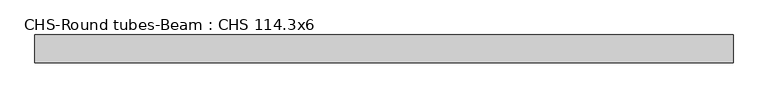
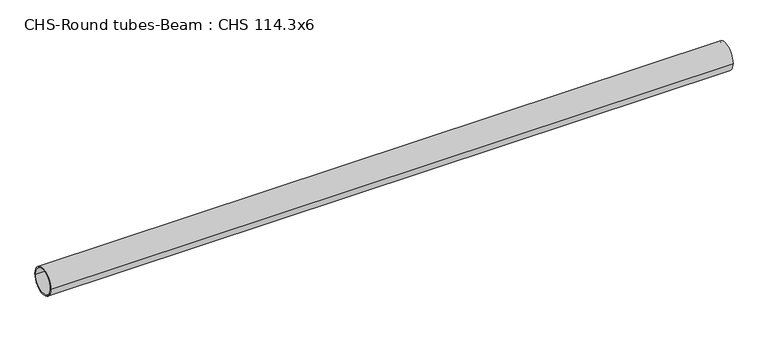
"""IFC4 building model written with IfcOpenShell, lengths in millimetres: beam geometry, CHS-Round tubes-Beam : CHS 114.3x6."""

import ifcopenshell
import ifcopenshell.guid

model = None  # the IFC model being written
_history = None  # IfcOwnerHistory: only IFC2X3 demands one
_inside = {}  # id of a spatial element -> (the spatial element, [elements in it])
_under = {}  # id of a project, library or spatial element -> (it, [spatial elements below it])
_declared = {}  # id of a project -> (the project, [libraries it declares])
_typed = {}  # id of a type object -> (the type object, [elements of that type])
_made_of = {}  # id of a material, layer set ... -> (it, [elements and type objects made of it])


def new_model(schema):
    """Start an empty IFC model of exactly this schema.

    Asked for "IFC4X3", IfcOpenShell would pick the latest addendum, in which some entities
    have other attributes; the version numbers below select the first issue.
    IFC2X3 requires an IfcOwnerHistory on every rooted entity: one is made here for all.
    """
    global model, _history
    if schema == "IFC4X3":
        model = ifcopenshell.file(schema_version=(4, 3, 0, 0))
    else:
        model = ifcopenshell.file(schema=schema)
    _inside.clear()
    _under.clear()
    _declared.clear()
    _typed.clear()
    _made_of.clear()
    _history = None
    if model.schema == "IFC2X3":
        org = make("IfcOrganization", Name="unknown")
        user = make(
            "IfcPersonAndOrganization",
            ThePerson=make("IfcPerson", FamilyName="unknown"),
            TheOrganization=org,
        )
        app = make(
            "IfcApplication",
            ApplicationDeveloper=org,
            Version="unknown",
            ApplicationFullName="unknown",
            ApplicationIdentifier="unknown",
        )
        _history = make(
            "IfcOwnerHistory",
            OwningUser=user,
            OwningApplication=app,
            ChangeAction="ADDED",
            CreationDate=0,
        )
    return model


def make(cls, **values):
    """One entity of the class cls with the attributes given. An attribute that is None is left unset."""
    return model.create_entity(
        cls, **{name: value for name, value in values.items() if value is not None}
    )


def rooted(cls, **values):
    """An entity with a GlobalId (a new one), such as an element, a storey or a relation."""
    return make(cls, GlobalId=ifcopenshell.guid.new(), OwnerHistory=_history, **values)


def si_unit(unit_type, name, prefix=None):
    """IfcSIUnit, for example si_unit("LENGTHUNIT", "METRE", prefix="MILLI")."""
    return make("IfcSIUnit", UnitType=unit_type, Prefix=prefix, Name=name)


def assignment(units):
    """IfcUnitAssignment: the units of a project."""
    return None if units is None else make("IfcUnitAssignment", Units=units)


def point(xyz):
    """IfcCartesianPoint."""
    return None if xyz is None else make("IfcCartesianPoint", Coordinates=xyz)


def direction(xyz):
    """IfcDirection."""
    return None if xyz is None else make("IfcDirection", DirectionRatios=xyz)


def frame(location, z_axis=None, x_axis=None):
    """IfcAxis2Placement3D, a coordinate frame: its origin and axes. An axis left out is left unset."""
    return make(
        "IfcAxis2Placement3D",
        Location=point(location),
        Axis=direction(z_axis),
        RefDirection=direction(x_axis),
    )


def frame_2d(location, x_axis=None):
    """IfcAxis2Placement2D, a coordinate frame in the plane: its origin and x axis."""
    return make(
        "IfcAxis2Placement2D", Location=point(location), RefDirection=direction(x_axis)
    )


def origin():
    """The frame at (0, 0, 0) with its axes left unset."""
    return frame((0.0, 0.0, 0.0))


def origin_2d():
    """The frame at (0, 0) in the plane with its x axis left unset."""
    return frame_2d((0.0, 0.0))


def place(relative_to, where):
    """IfcLocalPlacement: puts the frame where relative to a parent placement (None: the world)."""
    return make(
        "IfcLocalPlacement", PlacementRelTo=relative_to, RelativePlacement=where
    )


def context(
    kind, dimensions, precision=None, world=None, true_north=None, identifier=None
):
    """IfcGeometricRepresentationContext, for example the 3D "Model" context."""
    return make(
        "IfcGeometricRepresentationContext",
        ContextIdentifier=identifier,
        ContextType=kind,
        CoordinateSpaceDimension=dimensions,
        Precision=precision,
        WorldCoordinateSystem=world,
        TrueNorth=true_north,
    )


def project(units=None, contexts=None):
    """IfcProject with its units and contexts."""
    return rooted(
        "IfcProject",
        Name="project",
        RepresentationContexts=contexts,
        UnitsInContext=assignment(units),
    )


def spatial(cls, under=None, at=None, **own):
    """A site, building, storey or space (cls), placed at a placement, below another one or the project."""
    s = rooted(cls, ObjectPlacement=at, **own)
    if under is not None:
        _under.setdefault(under.id(), (under, []))[1].append(s)
    return s


def circle_curve(where, radius):
    """IfcCircle in the frame where."""
    return make("IfcCircle", Position=where, Radius=radius)


def trimmed(basis, trim1, trim2, sense, master):
    """IfcTrimmedCurve: the piece of a basis curve between two trims."""
    return make(
        "IfcTrimmedCurve",
        BasisCurve=basis,
        Trim1=trim1,
        Trim2=trim2,
        SenseAgreement=sense,
        MasterRepresentation=master,
    )


def segment(curve, same_sense, transition):
    """IfcCompositeCurveSegment."""
    return make(
        "IfcCompositeCurveSegment",
        Transition=transition,
        SameSense=same_sense,
        ParentCurve=curve,
    )


def composite_curve(segments, self_intersect=None):
    """IfcCompositeCurve: segments joined end to end."""
    return make("IfcCompositeCurve", Segments=segments, SelfIntersect=self_intersect)


def outline(outer, holes=None, kind="AREA"):
    """IfcArbitraryClosedProfileDef: a profile drawn as a closed curve; with holes, ...WithVoids."""
    if holes is None:
        return make("IfcArbitraryClosedProfileDef", ProfileType=kind, OuterCurve=outer)
    return make(
        "IfcArbitraryProfileDefWithVoids",
        ProfileType=kind,
        OuterCurve=outer,
        InnerCurves=holes,
    )


def extrude(swept, where, along, depth):
    """IfcExtrudedAreaSolid: the profile swept, set in the frame where, extruded along a direction by depth."""
    return make(
        "IfcExtrudedAreaSolid",
        SweptArea=swept,
        Position=where,
        ExtrudedDirection=direction(along),
        Depth=depth,
    )


def shape(context_of_items, identifier, shape_type, items):
    """IfcShapeRepresentation: the items that make up one representation, for example the "Body"."""
    return make(
        "IfcShapeRepresentation",
        ContextOfItems=context_of_items,
        RepresentationIdentifier=identifier,
        RepresentationType=shape_type,
        Items=items,
    )


def source(mapping_origin, context_of_items, identifier, shape_type, items):
    """IfcRepresentationMap: a shape defined once, which mapped items show again and again."""
    return make(
        "IfcRepresentationMap",
        MappingOrigin=mapping_origin,
        MappedRepresentation=shape(context_of_items, identifier, shape_type, items),
    )


def transform(
    local_origin,
    x_axis=None,
    y_axis=None,
    z_axis=None,
    scale=None,
    scale2=None,
    scale3=None,
    uniform=True,
):
    """IfcCartesianTransformationOperator3D, or its non-uniform kind. x_axis, y_axis, z_axis: its Axis1, 2, 3."""
    if uniform:
        return make(
            "IfcCartesianTransformationOperator3D",
            Axis1=direction(x_axis),
            Axis2=direction(y_axis),
            LocalOrigin=point(local_origin),
            Scale=scale,
            Axis3=direction(z_axis),
        )
    return make(
        "IfcCartesianTransformationOperator3DnonUniform",
        Axis1=direction(x_axis),
        Axis2=direction(y_axis),
        LocalOrigin=point(local_origin),
        Scale=scale,
        Axis3=direction(z_axis),
        Scale2=scale2,
        Scale3=scale3,
    )


def mapped(mapping_source, mapping_target):
    """IfcMappedItem: shows the shape of a source again, moved by a transform."""
    return make(
        "IfcMappedItem", MappingSource=mapping_source, MappingTarget=mapping_target
    )


def made_of(thing, what):
    """Note that an element or type object is made of a material, layer set ...; save() writes the relation."""
    if what is not None:
        _made_of.setdefault(what.id(), (what, []))[1].append(thing)
    return thing


def element(
    cls,
    number,
    at=None,
    inside=None,
    cuts=None,
    type_object=None,
    material=None,
    context=None,
    identifier="Body",
    shape_type=None,
    held_by="IfcProductDefinitionShape",
    body=None,
    shapes=None,
    **own,
):
    """One element of the class cls, such as IfcWall. Its Tag is "e" and its number.

    at: its placement. inside: the storey or other place that contains it. cuts: it is an
    opening in that element (IfcRelVoidsElement). A single representation is given by context,
    identifier, shape_type and body (its items); several are given by shapes. held_by: the class
    of the entity that holds the representations. save() writes the other relations.
    """
    e = rooted(cls, Tag="e%d" % number, ObjectPlacement=at, **own)
    if body is not None:
        shapes = [shape(context, identifier, shape_type, body)]
    if shapes is not None:
        e.Representation = make(held_by, Representations=shapes)
    if inside is not None:
        _inside.setdefault(inside.id(), (inside, []))[1].append(e)
    if cuts is not None:
        rooted(
            "IfcRelVoidsElement", RelatingBuildingElement=cuts, RelatedOpeningElement=e
        )
    if type_object is not None:
        _typed.setdefault(type_object.id(), (type_object, []))[1].append(e)
    return made_of(e, material)


def aggregate(whole, parts):
    """IfcRelAggregates: a whole, such as a stair, and the parts it consists of."""
    return rooted("IfcRelAggregates", RelatingObject=whole, RelatedObjects=parts)


def save(model, path):
    """Write the relations noted so far, then the file.

    IfcRelAggregates (storeys below a building ...), IfcRelContainedInSpatialStructure (elements
    in a storey), IfcRelDefinesByType, IfcRelAssociatesMaterial and IfcRelDeclares: one each for
    every whole, place, type object, material and project.
    """
    for whole, parts in _under.values():
        aggregate(whole, parts)
    for where, things in _inside.values():
        rooted(
            "IfcRelContainedInSpatialStructure",
            RelatedElements=things,
            RelatingStructure=where,
        )
    for kind, things in _typed.values():
        rooted("IfcRelDefinesByType", RelatedObjects=things, RelatingType=kind)
    for what, things in _made_of.values():
        rooted("IfcRelAssociatesMaterial", RelatedObjects=things, RelatingMaterial=what)
    for by, libraries in _declared.values():
        rooted("IfcRelDeclares", RelatingContext=by, RelatedDefinitions=libraries)
    model.write(path)


def chs_round_tubes_beam_chs_114_3x6_3c66081c(model_context):
    return source(origin(), model_context, "Body", "SweptSolid", [
        extrude(outline(composite_curve([segment(trimmed(circle_curve(origin_2d(), 57.15), [point((57.15, 0.0))], [point((-57.15, 0.0))], False, "CARTESIAN"), True, "CONTINUOUS"), segment(trimmed(circle_curve(origin_2d(), 57.15), [point((-57.15, 0.0))], [point((57.15, 0.0))], False, "CARTESIAN"), True, "CONTINUOUS")], self_intersect=False), holes=[composite_curve([segment(trimmed(circle_curve(origin_2d(), 51.15), [point((51.15, 0.0))], [point((-51.15, 0.0))], True, "CARTESIAN"), True, "CONTINUOUS"), segment(trimmed(circle_curve(origin_2d(), 51.15), [point((-51.15, 0.0))], [point((51.15, 0.0))], True, "CARTESIAN"), True, "CONTINUOUS")], self_intersect=False)]), frame((-1420.6125429, 0.0, 0.0), z_axis=(1.0, 0.0, 0.0), x_axis=(0.0, 1.0, 0.0)), (0.0, 0.0, 1.0), 2848.137862),
    ])


if __name__ == "__main__":
    model = new_model("IFC4")
    model_context = context("Model", 3, world=origin())
    ifc_project = project(units=[si_unit("LENGTHUNIT", "METRE", prefix="MILLI")], contexts=[model_context])
    site = spatial("IfcSite", under=ifc_project)
    building = spatial("IfcBuilding", under=site)
    placement = place(None, origin())
    chs_round_tubes_beam_chs_114_3x6_shape = chs_round_tubes_beam_chs_114_3x6_3c66081c(model_context)
    element("IfcBeam", 1, ObjectType="CHS-Round tubes-Beam : CHS 114.3x6", at=placement, inside=building, context=model_context, shape_type="MappedRepresentation", body=[
        mapped(chs_round_tubes_beam_chs_114_3x6_shape, transform((0.0, 0.0, 0.0), x_axis=(1.0, 0.0, 0.0), y_axis=(0.0, 1.0, 0.0), z_axis=(0.0, 0.0, 1.0))),
    ])
    save(model, "model.ifc")
